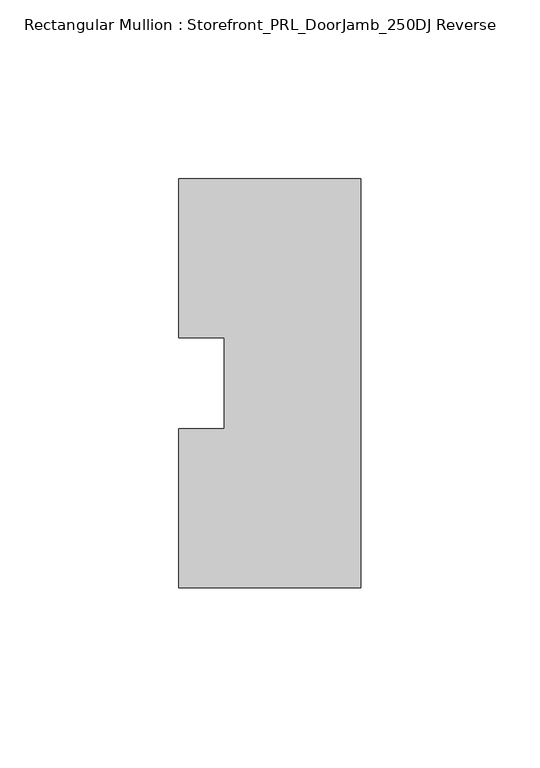
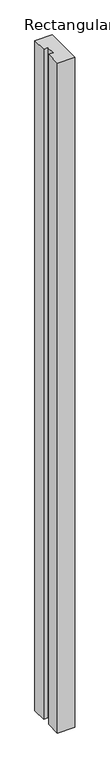
"""IFC4 building model written with IfcOpenShell, lengths in millimetres: member geometry, Rectangular Mullion : Storefront_PRL_DoorJamb_250DJ Reverse."""

import ifcopenshell
import ifcopenshell.guid

model = None  # the IFC model being written
_history = None  # IfcOwnerHistory: only IFC2X3 demands one
_inside = {}  # id of a spatial element -> (the spatial element, [elements in it])
_under = {}  # id of a project, library or spatial element -> (it, [spatial elements below it])
_declared = {}  # id of a project -> (the project, [libraries it declares])
_typed = {}  # id of a type object -> (the type object, [elements of that type])
_made_of = {}  # id of a material, layer set ... -> (it, [elements and type objects made of it])


def new_model(schema):
    """Start an empty IFC model of exactly this schema.

    Asked for "IFC4X3", IfcOpenShell would pick the latest addendum, in which some entities
    have other attributes; the version numbers below select the first issue.
    IFC2X3 requires an IfcOwnerHistory on every rooted entity: one is made here for all.
    """
    global model, _history
    if schema == "IFC4X3":
        model = ifcopenshell.file(schema_version=(4, 3, 0, 0))
    else:
        model = ifcopenshell.file(schema=schema)
    _inside.clear()
    _under.clear()
    _declared.clear()
    _typed.clear()
    _made_of.clear()
    _history = None
    if model.schema == "IFC2X3":
        org = make("IfcOrganization", Name="unknown")
        user = make(
            "IfcPersonAndOrganization",
            ThePerson=make("IfcPerson", FamilyName="unknown"),
            TheOrganization=org,
        )
        app = make(
            "IfcApplication",
            ApplicationDeveloper=org,
            Version="unknown",
            ApplicationFullName="unknown",
            ApplicationIdentifier="unknown",
        )
        _history = make(
            "IfcOwnerHistory",
            OwningUser=user,
            OwningApplication=app,
            ChangeAction="ADDED",
            CreationDate=0,
        )
    return model


def make(cls, **values):
    """One entity of the class cls with the attributes given. An attribute that is None is left unset."""
    return model.create_entity(
        cls, **{name: value for name, value in values.items() if value is not None}
    )


def rooted(cls, **values):
    """An entity with a GlobalId (a new one), such as an element, a storey or a relation."""
    return make(cls, GlobalId=ifcopenshell.guid.new(), OwnerHistory=_history, **values)


def si_unit(unit_type, name, prefix=None):
    """IfcSIUnit, for example si_unit("LENGTHUNIT", "METRE", prefix="MILLI")."""
    return make("IfcSIUnit", UnitType=unit_type, Prefix=prefix, Name=name)


def assignment(units):
    """IfcUnitAssignment: the units of a project."""
    return None if units is None else make("IfcUnitAssignment", Units=units)


def point(xyz):
    """IfcCartesianPoint."""
    return None if xyz is None else make("IfcCartesianPoint", Coordinates=xyz)


def direction(xyz):
    """IfcDirection."""
    return None if xyz is None else make("IfcDirection", DirectionRatios=xyz)


def frame(location, z_axis=None, x_axis=None):
    """IfcAxis2Placement3D, a coordinate frame: its origin and axes. An axis left out is left unset."""
    return make(
        "IfcAxis2Placement3D",
        Location=point(location),
        Axis=direction(z_axis),
        RefDirection=direction(x_axis),
    )


def origin():
    """The frame at (0, 0, 0) with its axes left unset."""
    return frame((0.0, 0.0, 0.0))


def place(relative_to, where):
    """IfcLocalPlacement: puts the frame where relative to a parent placement (None: the world)."""
    return make(
        "IfcLocalPlacement", PlacementRelTo=relative_to, RelativePlacement=where
    )


def context(
    kind, dimensions, precision=None, world=None, true_north=None, identifier=None
):
    """IfcGeometricRepresentationContext, for example the 3D "Model" context."""
    return make(
        "IfcGeometricRepresentationContext",
        ContextIdentifier=identifier,
        ContextType=kind,
        CoordinateSpaceDimension=dimensions,
        Precision=precision,
        WorldCoordinateSystem=world,
        TrueNorth=true_north,
    )


def project(units=None, contexts=None):
    """IfcProject with its units and contexts."""
    return rooted(
        "IfcProject",
        Name="project",
        RepresentationContexts=contexts,
        UnitsInContext=assignment(units),
    )


def spatial(cls, under=None, at=None, **own):
    """A site, building, storey or space (cls), placed at a placement, below another one or the project."""
    s = rooted(cls, ObjectPlacement=at, **own)
    if under is not None:
        _under.setdefault(under.id(), (under, []))[1].append(s)
    return s


def polyline(points):
    """IfcPolyline through the points."""
    return make("IfcPolyline", Points=[point(p) for p in points])


def outline(outer, holes=None, kind="AREA"):
    """IfcArbitraryClosedProfileDef: a profile drawn as a closed curve; with holes, ...WithVoids."""
    if holes is None:
        return make("IfcArbitraryClosedProfileDef", ProfileType=kind, OuterCurve=outer)
    return make(
        "IfcArbitraryProfileDefWithVoids",
        ProfileType=kind,
        OuterCurve=outer,
        InnerCurves=holes,
    )


def extrude(swept, where, along, depth):
    """IfcExtrudedAreaSolid: the profile swept, set in the frame where, extruded along a direction by depth."""
    return make(
        "IfcExtrudedAreaSolid",
        SweptArea=swept,
        Position=where,
        ExtrudedDirection=direction(along),
        Depth=depth,
    )


def shape(context_of_items, identifier, shape_type, items):
    """IfcShapeRepresentation: the items that make up one representation, for example the "Body"."""
    return make(
        "IfcShapeRepresentation",
        ContextOfItems=context_of_items,
        RepresentationIdentifier=identifier,
        RepresentationType=shape_type,
        Items=items,
    )


def source(mapping_origin, context_of_items, identifier, shape_type, items):
    """IfcRepresentationMap: a shape defined once, which mapped items show again and again."""
    return make(
        "IfcRepresentationMap",
        MappingOrigin=mapping_origin,
        MappedRepresentation=shape(context_of_items, identifier, shape_type, items),
    )


def transform(
    local_origin,
    x_axis=None,
    y_axis=None,
    z_axis=None,
    scale=None,
    scale2=None,
    scale3=None,
    uniform=True,
):
    """IfcCartesianTransformationOperator3D, or its non-uniform kind. x_axis, y_axis, z_axis: its Axis1, 2, 3."""
    if uniform:
        return make(
            "IfcCartesianTransformationOperator3D",
            Axis1=direction(x_axis),
            Axis2=direction(y_axis),
            LocalOrigin=point(local_origin),
            Scale=scale,
            Axis3=direction(z_axis),
        )
    return make(
        "IfcCartesianTransformationOperator3DnonUniform",
        Axis1=direction(x_axis),
        Axis2=direction(y_axis),
        LocalOrigin=point(local_origin),
        Scale=scale,
        Axis3=direction(z_axis),
        Scale2=scale2,
        Scale3=scale3,
    )


def mapped(mapping_source, mapping_target):
    """IfcMappedItem: shows the shape of a source again, moved by a transform."""
    return make(
        "IfcMappedItem", MappingSource=mapping_source, MappingTarget=mapping_target
    )


def made_of(thing, what):
    """Note that an element or type object is made of a material, layer set ...; save() writes the relation."""
    if what is not None:
        _made_of.setdefault(what.id(), (what, []))[1].append(thing)
    return thing


def element(
    cls,
    number,
    at=None,
    inside=None,
    cuts=None,
    type_object=None,
    material=None,
    context=None,
    identifier="Body",
    shape_type=None,
    held_by="IfcProductDefinitionShape",
    body=None,
    shapes=None,
    **own,
):
    """One element of the class cls, such as IfcWall. Its Tag is "e" and its number.

    at: its placement. inside: the storey or other place that contains it. cuts: it is an
    opening in that element (IfcRelVoidsElement). A single representation is given by context,
    identifier, shape_type and body (its items); several are given by shapes. held_by: the class
    of the entity that holds the representations. save() writes the other relations.
    """
    e = rooted(cls, Tag="e%d" % number, ObjectPlacement=at, **own)
    if body is not None:
        shapes = [shape(context, identifier, shape_type, body)]
    if shapes is not None:
        e.Representation = make(held_by, Representations=shapes)
    if inside is not None:
        _inside.setdefault(inside.id(), (inside, []))[1].append(e)
    if cuts is not None:
        rooted(
            "IfcRelVoidsElement", RelatingBuildingElement=cuts, RelatedOpeningElement=e
        )
    if type_object is not None:
        _typed.setdefault(type_object.id(), (type_object, []))[1].append(e)
    return made_of(e, material)


def aggregate(whole, parts):
    """IfcRelAggregates: a whole, such as a stair, and the parts it consists of."""
    return rooted("IfcRelAggregates", RelatingObject=whole, RelatedObjects=parts)


def save(model, path):
    """Write the relations noted so far, then the file.

    IfcRelAggregates (storeys below a building ...), IfcRelContainedInSpatialStructure (elements
    in a storey), IfcRelDefinesByType, IfcRelAssociatesMaterial and IfcRelDeclares: one each for
    every whole, place, type object, material and project.
    """
    for whole, parts in _under.values():
        aggregate(whole, parts)
    for where, things in _inside.values():
        rooted(
            "IfcRelContainedInSpatialStructure",
            RelatedElements=things,
            RelatingStructure=where,
        )
    for kind, things in _typed.values():
        rooted("IfcRelDefinesByType", RelatedObjects=things, RelatingType=kind)
    for what, things in _made_of.values():
        rooted("IfcRelAssociatesMaterial", RelatedObjects=things, RelatingMaterial=what)
    for by, libraries in _declared.values():
        rooted("IfcRelDeclares", RelatingContext=by, RelatedDefinitions=libraries)
    model.write(path)


def rectangular_mullion_storefront_prl_doorjamb_250dj_reverse_dc3bbc03(model_context):
    return source(origin(), model_context, "Body", "SweptSolid", [
        extrude(outline(polyline([(-12.7, -12.7), (-12.7, 12.7), (-25.4, 12.7), (-25.4, 57.15), (25.4, 57.15), (25.4, -57.15), (-25.4, -57.15), (-25.4, -12.7), (-12.7, -12.7)])), frame((0.0, 0.0, -2076.45), z_axis=(0.0, 0.0, 1.0), x_axis=(1.0, 0.0, 0.0)), (0.0, 0.0, 1.0), 2076.45),
    ])


if __name__ == "__main__":
    model = new_model("IFC4")
    model_context = context("Model", 3, world=origin())
    ifc_project = project(units=[si_unit("LENGTHUNIT", "METRE", prefix="MILLI")], contexts=[model_context])
    site = spatial("IfcSite", under=ifc_project)
    building = spatial("IfcBuilding", under=site)
    placement = place(None, origin())
    rectangular_mullion_storefront_prl_doorjamb_250dj_reverse_shape = rectangular_mullion_storefront_prl_doorjamb_250dj_reverse_dc3bbc03(model_context)
    element("IfcMember", 1, ObjectType="Rectangular Mullion : Storefront_PRL_DoorJamb_250DJ Reverse", at=placement, inside=building, context=model_context, shape_type="MappedRepresentation", body=[
        mapped(rectangular_mullion_storefront_prl_doorjamb_250dj_reverse_shape, transform((0.0, 0.0, 0.0), x_axis=(1.0, 0.0, 0.0), y_axis=(0.0, 1.0, 0.0), z_axis=(0.0, 0.0, 1.0))),
    ])
    save(model, "model.ifc")
